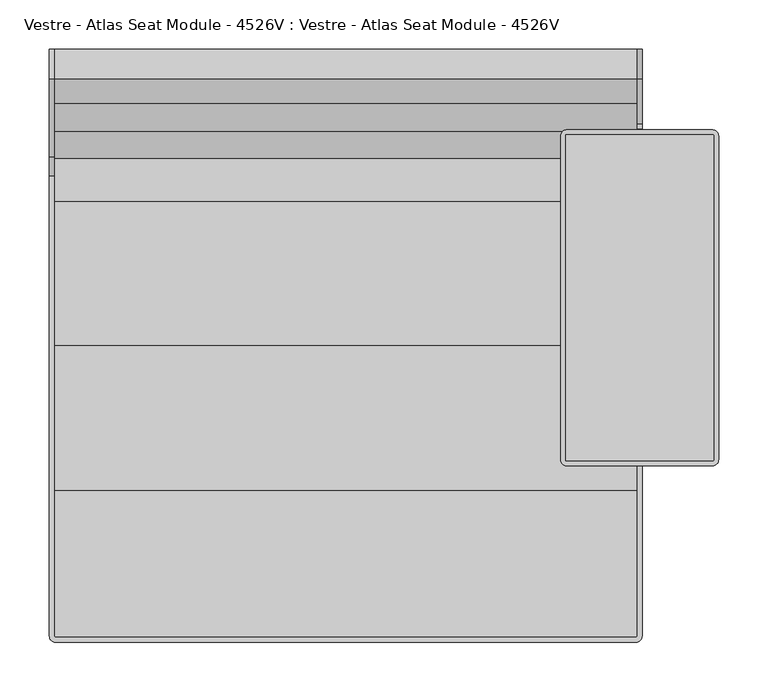
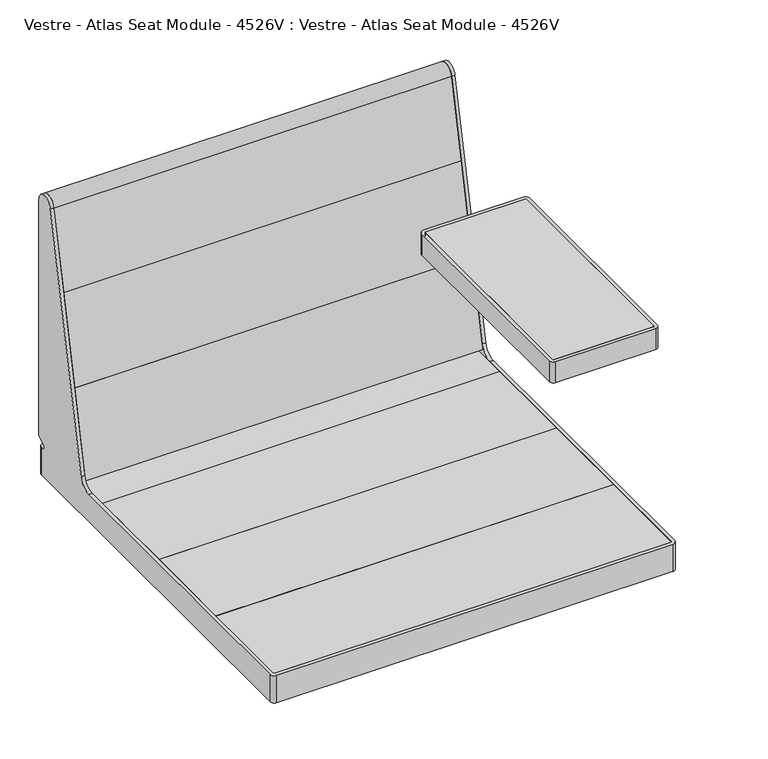
"""IFC4 building model written with IfcOpenShell, lengths in millimetres: furniture geometry, Vestre - Atlas Seat Module - 4526V : Vestre - Atlas Seat Module - 4526V."""

from ifc_helpers import new_model, si_unit, point, frame, frame_2d, origin, origin_with_axes, place, context, project, spatial, polyline, circle_curve, trimmed, segment, composite_curve, outline, extrude, source, transform, mapped, element, save
from ifc_brep_helpers import plane_surface, cylinder_surface, revolved_surface, advanced_brep


def vestre_atlas_seat_module_4526v_vestre_atlas_seat_module_254767dd(model_context):
    return source(origin(), model_context, "Body", "SolidModel", [
        advanced_brep(
        [(295.0000168, 300.0000023, 83.4372244), (295.0000168, 299.001022, 81.7069398), (295.0000168, 287.8917461, 75.2929964), (295.0000168, 289.8860908, 67.850001), (295.0000168, 294.0000778, 67.850001), (295.0000168, 294.0104801, 24.8500093), (295.0000168, -294.0016577, 24.8500093), (295.0000168, -294.0016577, 67.850001), (295.0000168, 171.6350131, 67.850001), (295.0000168, 191.1979651, 83.6917671), (295.0000168, 209.3523653, 169.1015048), (295.0000168, 205.5011855, 175.0318013), (295.0000168, -90.0348387, 237.8499078), (295.0000168, -90.0348387, 241.8498816), (295.0000168, -36.8693306, 241.8498816), (295.0000168, -35.9057299, 240.8862809), (295.0000168, -35.9057299, 239.5819968), (295.0000168, -36.4058447, 238.7159523), (295.0000168, -35.0398179, 237.3499255), (295.0000168, -34.1737135, 237.8499078), (295.0000168, 204.1172295, 237.8499078), (295.0000168, 205.4262365, 237.3474222), (295.0000168, 208.4547894, 234.620465), (295.0000168, 213.3966402, 236.2261697), (295.0000168, 215.3613459, 237.8499078), (295.0000168, 219.9163693, 237.8499078), (295.0000168, 224.8071073, 241.8103493), (295.0000168, 270.3277883, 455.9683158), (295.0000168, 300.0000023, 452.8496404), (299.9997116, 300.0000023, 83.4372244), (299.9997116, 300.0000023, 452.8496404), (299.9997116, 270.3277883, 455.9683158), (299.9997116, 224.8071073, 241.8103493), (299.9997116, 219.9163693, 237.8499078), (299.9997116, 215.3613459, 237.8499078), (299.9997116, 213.3966402, 236.2261697), (299.9997116, 208.4547894, 234.620465), (299.9997116, 205.4262365, 237.3474222), (299.9997116, 204.1172295, 237.8499078), (299.9997116, -34.1737135, 237.8499078), (299.9997116, -35.039763, 237.3498938), (299.9997116, -36.4058447, 238.7159523), (299.9997116, -35.9057299, 239.5819968), (299.9997116, -35.9057299, 240.8862809), (299.9997116, -36.8693306, 241.8498816), (299.9997116, -90.0348387, 241.8498816), (299.9997116, -90.0348387, 237.8499078), (299.9997116, 205.5011855, 175.0318013), (299.9997116, 209.3523653, 169.1015048), (299.9997116, 191.1979651, 83.6917671), (299.9997116, 171.6350131, 67.850001), (299.9997116, -294.000075, 67.850001), (299.9997116, -294.000075, 24.8500093), (299.9997116, 294.000075, 24.8500093), (299.9997116, 294.000075, 67.850001), (299.9997116, 289.8860908, 67.850001), (299.9997116, 287.8917461, 75.2929964), (299.9997116, 299.001022, 81.7069398), (293.9997116, 300.000075, 67.850001), (-293.9997116, 300.000075, 67.850001), (-299.9997116, 294.000075, 67.850001), (-299.9997116, 289.8860908, 67.850001), (-295.0000168, 289.8860908, 67.850001), (-295.0000168, 294.0091733, 67.850001), (-294.009246, 294.9999441, 67.850001), (294.0105528, 294.9999441, 67.850001), (294.0015851, -295.0000895, 67.850001), (-294.0358013, -295.0000895, 67.850001), (-295.0000168, -294.035874, 67.850001), (-295.0000168, 171.6350131, 67.850001), (-299.9997116, 171.6350131, 67.850001), (-299.9997116, -294.0369399, 67.850001), (-294.0365765, -300.000075, 67.850001), (293.9997116, -300.000075, 67.850001), (-299.9997116, -294.0369399, 24.8500093), (-299.9997116, 294.000075, 24.8500093), (-293.9997116, 300.000075, 24.8500093), (293.9997116, 300.000075, 24.8500093), (293.9997116, -300.000075, 24.8500093), (-294.0365765, -300.000075, 24.8500093), (-295.0000168, -294.035874, 24.8500093), (-294.0358013, -295.0000895, 24.8500093), (294.0015851, -295.0000895, 24.8500093), (294.0105528, 294.9999441, 24.8500093), (-294.009246, 294.9999441, 24.8500093), (-295.0000168, 294.0091733, 24.8500093), (-295.0000168, 287.8917461, 75.2929964), (-295.0000168, 299.001022, 81.7069398), (-295.0000168, 300.0000023, 83.4372244), (-295.0000168, 300.0000023, 452.8496404), (-295.0000168, 270.3277883, 455.9683158), (-295.0000168, 191.1979651, 83.6917671), (-299.9997116, 191.1979651, 83.6917671), (-299.9997116, 270.3277883, 455.9683158), (-299.9997116, 300.0000023, 452.8496404), (-299.9997116, 300.0000023, 83.4372244), (-299.9997116, 299.001022, 81.7069398), (-299.9997116, 287.8917461, 75.2929964)],
        [
            (0, 1, circle_curve(frame((295.0000168, 298.0020417, 83.4372244), z_axis=(-1.0, 0.0, 0.0), x_axis=(0.0, -1.0, 0.0)), 1.9979606)),
            (1, 2),
            (2, 3, circle_curve(frame((295.0000168, 289.8860908, 71.8386902), z_axis=(1.0, 0.0, 0.0), x_axis=(0.0, -1.0, 0.0)), 3.9886892)),
            (3, 4),
            (4, 5),
            (5, 6),
            (6, 7),
            (7, 8),
            (8, 9, circle_curve(frame((295.0000168, 171.6350131, 87.850001), z_axis=(1.0, 0.0, 0.0), x_axis=(0.0, -1.0, 0.0)), 20.0)),
            (9, 10),
            (10, 11, circle_curve(frame((295.0000168, 204.4616273, 170.1410632), z_axis=(1.0, 0.0, 0.0), x_axis=(0.0, -1.0, 0.0)), 5.0)),
            (11, 12),
            (12, 13),
            (13, 14),
            (14, 15, circle_curve(frame((295.0000168, -36.8693306, 240.8862809), z_axis=(-1.0, 0.0, 0.0), x_axis=(0.0, -1.0, 0.0)), 0.9636008)),
            (15, 16),
            (16, 17, circle_curve(frame((295.0000168, -36.9056482, 239.5819968), z_axis=(-1.0, 0.0, 0.0), x_axis=(0.0, -1.0, 0.0)), 0.9999183)),
            (17, 18, circle_curve(frame((295.0000168, -35.9096626, 237.8461076), z_axis=(1.0, 0.0, 0.0), x_axis=(0.0, -1.0, 0.0)), 1.0014122)),
            (18, 19, circle_curve(frame((295.0000168, -34.1737135, 236.8498799), z_axis=(-1.0, 0.0, 0.0), x_axis=(0.0, -1.0, 0.0)), 1.0000279)),
            (19, 20),
            (20, 21, circle_curve(frame((295.0000168, 204.1172295, 235.8936417), z_axis=(-1.0, 0.0, 0.0), x_axis=(0.0, -1.0, 0.0)), 1.9562661)),
            (21, 22),
            (22, 23, circle_curve(frame((295.0000168, 210.4385486, 236.9226609), z_axis=(1.0, 0.0, 0.0), x_axis=(0.0, -1.0, 0.0)), 3.0389811)),
            (23, 24, circle_curve(frame((295.0000168, 215.3613459, 235.8494024), z_axis=(-1.0, 0.0, 0.0), x_axis=(0.0, -1.0, 0.0)), 2.0005054)),
            (24, 25),
            (25, 26, circle_curve(frame((295.0000168, 219.9163693, 242.8499078), z_axis=(1.0, 0.0, 0.0), x_axis=(0.0, -1.0, 0.0)), 5.0)),
            (26, 27),
            (27, 28, circle_curve(frame((295.0000168, 285.0000023, 452.8496404), z_axis=(-1.0, 0.0, 0.0), x_axis=(0.0, -1.0, 0.0)), 15.0)),
            (28, 0),
            (29, 30),
            (30, 31, circle_curve(frame((299.9997116, 285.0000023, 452.8496404), z_axis=(1.0, 0.0, 0.0), x_axis=(0.0, -1.0, 0.0)), 15.0)),
            (31, 32),
            (32, 33, circle_curve(frame((299.9997116, 219.9163693, 242.8499078), z_axis=(-1.0, 0.0, 0.0), x_axis=(0.0, -1.0, 0.0)), 5.0)),
            (33, 34),
            (34, 35, circle_curve(frame((299.9997116, 215.3613459, 235.8494024), z_axis=(1.0, 0.0, 0.0), x_axis=(0.0, -1.0, 0.0)), 2.0005054)),
            (35, 36, circle_curve(frame((299.9997116, 210.4385486, 236.9226609), z_axis=(-1.0, 0.0, 0.0), x_axis=(0.0, -1.0, 0.0)), 3.0389811)),
            (36, 37),
            (37, 38, circle_curve(frame((299.9997116, 204.1172295, 235.8936417), z_axis=(1.0, 0.0, 0.0), x_axis=(0.0, -1.0, 0.0)), 1.9562661)),
            (38, 39),
            (39, 40, circle_curve(frame((299.9997116, -34.1737135, 236.8498799), z_axis=(1.0, 0.0, 0.0), x_axis=(0.0, -1.0, 0.0)), 1.0000279)),
            (40, 41, circle_curve(frame((299.9997116, -35.9096626, 237.8461076), z_axis=(-1.0, 0.0, 0.0), x_axis=(0.0, -1.0, 0.0)), 1.0014122)),
            (41, 42, circle_curve(frame((299.9997116, -36.9056482, 239.5819968), z_axis=(1.0, 0.0, 0.0), x_axis=(0.0, -1.0, 0.0)), 0.9999183)),
            (42, 43),
            (43, 44, circle_curve(frame((299.9997116, -36.8693306, 240.8862809), z_axis=(1.0, 0.0, 0.0), x_axis=(0.0, -1.0, 0.0)), 0.9636008)),
            (44, 45),
            (45, 46),
            (46, 47),
            (47, 48, circle_curve(frame((299.9997116, 204.4616273, 170.1410632), z_axis=(-1.0, 0.0, 0.0), x_axis=(0.0, -1.0, 0.0)), 5.0)),
            (48, 49),
            (49, 50, circle_curve(frame((299.9997116, 171.6350131, 87.850001), z_axis=(-1.0, 0.0, 0.0), x_axis=(0.0, -1.0, 0.0)), 20.0)),
            (50, 51),
            (51, 52),
            (52, 53),
            (53, 54),
            (54, 55),
            (55, 56, circle_curve(frame((299.9997116, 289.8860908, 71.8386902), z_axis=(-1.0, 0.0, 0.0), x_axis=(0.0, -1.0, 0.0)), 3.9886892)),
            (56, 57),
            (57, 29, circle_curve(frame((299.9997116, 298.0020417, 83.4372244), z_axis=(1.0, 0.0, 0.0), x_axis=(0.0, -1.0, 0.0)), 1.9979606)),
            (28, 30),
            (29, 0),
            (27, 31),
            (26, 32),
            (8, 50),
            (49, 9),
            (3, 55),
            (54, 58, circle_curve(frame((293.9997116, 294.000075, 67.850001), z_axis=(0.0, 0.0, 1.0), x_axis=(1.0, 0.0, 0.0)), 6.0)),
            (58, 59),
            (59, 60, circle_curve(frame((-293.9997116, 294.000075, 67.850001), z_axis=(0.0, 0.0, 1.0), x_axis=(1.0, 0.0, 0.0)), 6.0)),
            (60, 61),
            (61, 62),
            (62, 63),
            (63, 64, circle_curve(frame((-294.009246, 294.0091733, 67.850001), z_axis=(0.0, 0.0, -1.0), x_axis=(1.0, 0.0, 0.0)), 0.9907708)),
            (64, 65),
            (65, 4, circle_curve(frame((294.0105528, 294.0104801, 67.850001), z_axis=(0.0, 0.0, -1.0), x_axis=(1.0, 0.0, 0.0)), 0.989464)),
            (7, 66, circle_curve(frame((294.0015851, -294.0016577, 67.850001), z_axis=(0.0, 0.0, -1.0), x_axis=(1.0, 0.0, 0.0)), 0.9984317)),
            (66, 67),
            (67, 68, circle_curve(frame((-294.0358013, -294.035874, 67.850001), z_axis=(0.0, 0.0, -1.0), x_axis=(1.0, 0.0, 0.0)), 0.9642155)),
            (68, 69),
            (69, 70),
            (70, 71),
            (71, 72, circle_curve(frame((-294.0365765, -294.0369399, 67.850001), z_axis=(0.0, 0.0, 1.0), x_axis=(1.0, 0.0, 0.0)), 5.9631351)),
            (72, 73),
            (73, 51, circle_curve(frame((293.9997116, -294.000075, 67.850001), z_axis=(0.0, 0.0, 1.0), x_axis=(1.0, 0.0, 0.0)), 6.0)),
            (2, 56),
            (1, 57),
            (25, 33),
            (24, 34),
            (23, 35),
            (22, 36),
            (21, 37),
            (20, 38),
            (19, 39),
            (18, 40),
            (17, 41),
            (16, 42),
            (15, 43),
            (14, 44),
            (13, 45),
            (12, 46),
            (11, 47),
            (10, 48),
            (74, 75),
            (75, 76, circle_curve(frame((-293.9997116, 294.000075, 24.8500093), z_axis=(0.0, 0.0, -1.0), x_axis=(1.0, 0.0, 0.0)), 6.0)),
            (76, 77),
            (77, 53, circle_curve(frame((293.9997116, 294.000075, 24.8500093), z_axis=(0.0, 0.0, -1.0), x_axis=(1.0, 0.0, 0.0)), 6.0)),
            (52, 78, circle_curve(frame((293.9997116, -294.000075, 24.8500093), z_axis=(0.0, 0.0, -1.0), x_axis=(1.0, 0.0, 0.0)), 6.0)),
            (78, 79),
            (79, 74, circle_curve(frame((-294.0365765, -294.0369399, 24.8500093), z_axis=(0.0, 0.0, -1.0), x_axis=(1.0, 0.0, 0.0)), 5.9631351)),
            (80, 81, circle_curve(frame((-294.0358013, -294.035874, 24.8500093), z_axis=(0.0, 0.0, 1.0), x_axis=(1.0, 0.0, 0.0)), 0.9642155)),
            (81, 82),
            (82, 6, circle_curve(frame((294.0015851, -294.0016577, 24.8500093), z_axis=(0.0, 0.0, 1.0), x_axis=(1.0, 0.0, 0.0)), 0.9984317)),
            (5, 83, circle_curve(frame((294.0105528, 294.0104801, 24.8500093), z_axis=(0.0, 0.0, 1.0), x_axis=(1.0, 0.0, 0.0)), 0.989464)),
            (83, 84),
            (84, 85, circle_curve(frame((-294.009246, 294.0091733, 24.8500093), z_axis=(0.0, 0.0, 1.0), x_axis=(1.0, 0.0, 0.0)), 0.9907708)),
            (85, 80),
            (85, 63),
            (62, 86, circle_curve(frame((-295.0000168, 289.8860908, 71.8386902), z_axis=(-1.0, 0.0, 0.0), x_axis=(0.0, -1.0, 0.0)), 3.9886892)),
            (86, 87),
            (87, 88, circle_curve(frame((-295.0000168, 298.0020417, 83.4372244), z_axis=(1.0, 0.0, 0.0), x_axis=(0.0, -1.0, 0.0)), 1.9979606)),
            (88, 89),
            (89, 90, circle_curve(frame((-295.0000168, 285.0000023, 452.8496404), z_axis=(1.0, 0.0, 0.0), x_axis=(0.0, -1.0, 0.0)), 15.0)),
            (90, 91),
            (91, 69, circle_curve(frame((-295.0000168, 171.6350131, 87.850001), z_axis=(-1.0, 0.0, 0.0), x_axis=(0.0, -1.0, 0.0)), 20.0)),
            (68, 80),
            (84, 64),
            (83, 65),
            (82, 66),
            (81, 67),
            (71, 74),
            (79, 72),
            (78, 73),
            (77, 58),
            (76, 59),
            (75, 60),
            (70, 92, circle_curve(frame((-299.9997116, 171.6350131, 87.850001), z_axis=(1.0, 0.0, 0.0), x_axis=(0.0, -1.0, 0.0)), 20.0)),
            (92, 93),
            (93, 94, circle_curve(frame((-299.9997116, 285.0000023, 452.8496404), z_axis=(-1.0, 0.0, 0.0), x_axis=(0.0, -1.0, 0.0)), 15.0)),
            (94, 95),
            (95, 96, circle_curve(frame((-299.9997116, 298.0020417, 83.4372244), z_axis=(-1.0, 0.0, 0.0), x_axis=(0.0, -1.0, 0.0)), 1.9979606)),
            (96, 97),
            (97, 61, circle_curve(frame((-299.9997116, 289.8860908, 71.8386902), z_axis=(1.0, 0.0, 0.0), x_axis=(0.0, -1.0, 0.0)), 3.9886892)),
            (88, 95),
            (94, 89),
            (93, 90),
            (92, 91),
            (97, 86),
            (96, 87),
        ],
        [
            plane_surface(frame((295.0000168, 296.0040811, 83.4372244), z_axis=(-1.0, 0.0, 0.0), x_axis=(0.0, 0.0, 1.0))),
            plane_surface(frame((299.9997116, 296.0040811, 83.4372244), z_axis=(1.0, 0.0, 0.0), x_axis=(0.0, 0.0, -1.0))),
            plane_surface(frame((295.0000168, 300.0000023, 452.8496404), z_axis=(0.0, 1.0, 0.0), x_axis=(1.0, 0.0, 0.0))),
            cylinder_surface(frame((299.9997116, 285.0000023, 452.8496404), z_axis=(-1.0, 0.0, 0.0), x_axis=(0.0, -1.0, 0.0)), 15.0),
            plane_surface(frame((295.0000168, 224.8071073, 241.8103493), z_axis=(0.0, -0.9781476007338052, 0.20791169081776106), x_axis=(1.0, 0.0, 0.0))),
            revolved_surface(polyline([(299.9997116, 151.6350131, 87.850001), (295.0000168, 151.6350131, 87.850001)]), (299.9997116, 171.6350131, 87.850001), (1.0, 0.0, 0.0)),
            plane_surface(frame((295.0000168, 148.9999895, 67.850001), z_axis=(0.0, 0.0, 1.0), x_axis=(1.0, 0.0, 0.0))),
            revolved_surface(polyline([(299.9997116, 285.89740159999997, 71.8386902), (295.0000168, 285.89740159999997, 71.8386902)]), (299.9997116, 289.8860908, 71.8386902), (1.0, 0.0, 0.0)),
            plane_surface(frame((295.0000168, 299.001022, 81.7069398), z_axis=(0.0, 0.49999999999999944, -0.866025403784439), x_axis=(1.0, 0.0, 0.0))),
            cylinder_surface(frame((299.9997116, 298.0020417, 83.4372244), z_axis=(-1.0, 0.0, 0.0), x_axis=(0.0, -1.0, 0.0)), 1.9979606),
            revolved_surface(polyline([(299.9997116, 214.9163693, 242.8499078), (295.0000168, 214.9163693, 242.8499078)]), (299.9997116, 219.9163693, 242.8499078), (1.0, 0.0, 0.0)),
            plane_surface(frame((295.0000168, 215.3613459, 237.8499078), z_axis=(0.0, 0.0, 1.0), x_axis=(1.0, 0.0, 0.0))),
            cylinder_surface(frame((299.9997116, 215.3613459, 235.8494024), z_axis=(-1.0, 0.0, 0.0), x_axis=(0.0, -1.0, 0.0)), 2.0005054),
            revolved_surface(polyline([(299.9997116, 207.3995675, 236.9226609), (295.0000168, 207.3995675, 236.9226609)]), (299.9997116, 210.4385486, 236.9226609), (1.0, 0.0, 0.0)),
            plane_surface(frame((295.0000168, 205.4262365, 237.3474222), z_axis=(0.0, 0.6691354565947192, 0.7431404582767492), x_axis=(1.0, 0.0, 0.0))),
            cylinder_surface(frame((299.9997116, 204.1172295, 235.8936417), z_axis=(-1.0, 0.0, 0.0), x_axis=(0.0, -1.0, 0.0)), 1.9562661),
            plane_surface(frame((295.0000168, -34.1737135, 237.8499078), z_axis=(0.0, 0.0, 1.0), x_axis=(1.0, 0.0, 0.0))),
            cylinder_surface(frame((299.9997116, -34.1737135, 236.8498799), z_axis=(-1.0, 0.0, 0.0), x_axis=(0.0, -1.0, 0.0)), 1.0000279),
            revolved_surface(polyline([(299.9997116, -36.911074799999994, 237.8461076), (295.0000168, -36.911074799999994, 237.8461076)]), (299.9997116, -35.9096626, 237.8461076), (1.0, 0.0, 0.0)),
            cylinder_surface(frame((299.9997116, -36.9056482, 239.5819968), z_axis=(-1.0, 0.0, 0.0), x_axis=(0.0, -1.0, 0.0)), 0.9999183),
            plane_surface(frame((295.0000168, -35.9057299, 240.8862809), z_axis=(0.0, 1.0, 0.0), x_axis=(1.0, 0.0, 0.0))),
            cylinder_surface(frame((299.9997116, -36.8693306, 240.8862809), z_axis=(-1.0, 0.0, 0.0), x_axis=(0.0, -1.0, 0.0)), 0.9636008),
            plane_surface(frame((295.0000168, -90.0348387, 241.8498816), z_axis=(0.0, 0.0, 1.0), x_axis=(1.0, 0.0, 0.0))),
            plane_surface(frame((295.0000168, -90.0348387, 237.8499078), z_axis=(0.0, -1.0, 0.0), x_axis=(1.0, 0.0, 0.0))),
            plane_surface(frame((295.0000168, 205.5011855, 175.0318013), z_axis=(0.0, -0.2079116445070992, -0.9781476105774392), x_axis=(1.0, 0.0, 0.0))),
            revolved_surface(polyline([(299.9997116, 199.4616273, 170.1410632), (295.0000168, 199.4616273, 170.1410632)]), (299.9997116, 204.4616273, 170.1410632), (1.0, 0.0, 0.0)),
            plane_surface(frame((295.0000168, 191.1979651, 83.6917671), z_axis=(0.0, -0.9781476007338046, 0.20791169081776423), x_axis=(1.0, 0.0, 0.0))),
            plane_surface(frame((-295.0000168, 294.0000051, 24.8500093), z_axis=(0.0, 0.0, -1.0), x_axis=(0.0, -1.0, 0.0))),
            plane_surface(frame((-295.0000168, -294.035874, 67.850001), z_axis=(1.0, 0.0, 0.0), x_axis=(0.0, 0.0, -1.0))),
            revolved_surface(polyline([(-293.0184752, 294.0091733, 24.8500093), (-293.0184752, 294.0091733, 67.850001)]), (-294.009246, 294.0091733, 24.8500093), (0.0, 0.0, -1.0)),
            plane_surface(frame((-294.009246, 294.9999441, 67.850001), z_axis=(0.0, -1.0, 0.0), x_axis=(0.0, 0.0, -1.0))),
            revolved_surface(polyline([(295.0000168, 294.0104801, 24.8500093), (295.0000168, 294.0104801, 67.850001)]), (294.0105528, 294.0104801, 24.8500093), (0.0, 0.0, -1.0)),
            revolved_surface(polyline([(295.0000168, -294.0016577, 24.8500093), (295.0000168, -294.0016577, 67.850001)]), (294.0015851, -294.0016577, 24.8500093), (0.0, 0.0, -1.0)),
            plane_surface(frame((294.0015851, -295.0000895, 67.850001), z_axis=(0.0, 1.0, 0.0), x_axis=(0.0, 0.0, -1.0))),
            revolved_surface(polyline([(-293.0715858, -294.035874, 24.8500093), (-293.0715858, -294.035874, 67.850001)]), (-294.0358013, -294.035874, 24.8500093), (0.0, 0.0, -1.0)),
            cylinder_surface(frame((-294.0365765, -294.0369399, 24.8500093), z_axis=(0.0, 0.0, 1.0), x_axis=(1.0, 0.0, 0.0)), 5.9631351),
            plane_surface(frame((-294.0365765, -300.000075, 67.850001), z_axis=(0.0, -1.0, 0.0), x_axis=(0.0, 0.0, -1.0))),
            cylinder_surface(frame((293.9997116, -294.000075, 24.8500093), z_axis=(0.0, 0.0, 1.0), x_axis=(1.0, 0.0, 0.0)), 6.0),
            cylinder_surface(frame((293.9997116, 294.000075, 24.8500093), z_axis=(0.0, 0.0, 1.0), x_axis=(1.0, 0.0, 0.0)), 6.0),
            plane_surface(frame((293.9997116, 300.000075, 67.850001), z_axis=(0.0, 1.0, 0.0), x_axis=(0.0, 0.0, -1.0))),
            cylinder_surface(frame((-293.9997116, 294.000075, 24.8500093), z_axis=(0.0, 0.0, 1.0), x_axis=(1.0, 0.0, 0.0)), 6.0),
            plane_surface(frame((-299.9997116, 294.000075, 67.850001), z_axis=(-1.0, 0.0, 0.0), x_axis=(0.0, 0.0, -1.0))),
            plane_surface(frame((-295.0000168, 300.0000023, 83.4372244), z_axis=(0.0, 1.0, 0.0), x_axis=(-1.0, 0.0, 0.0))),
            cylinder_surface(frame((-299.9997116, 285.0000023, 452.8496404), z_axis=(1.0, 0.0, 0.0), x_axis=(0.0, -1.0, 0.0)), 15.0),
            plane_surface(frame((-295.0000168, 270.3277883, 455.9683158), z_axis=(0.0, -0.9781476007338054, 0.20791169081776092), x_axis=(-1.0, 0.0, 0.0))),
            revolved_surface(polyline([(-299.9997116, 151.6350131, 87.850001), (-295.0000168, 151.6350131, 87.850001)]), (-299.9997116, 171.6350131, 87.850001), (-1.0, 0.0, 0.0)),
            revolved_surface(polyline([(-299.9997116, 285.89740159999997, 71.8386902), (-295.0000168, 285.89740159999997, 71.8386902)]), (-299.9997116, 289.8860908, 71.8386902), (-1.0, 0.0, 0.0)),
            plane_surface(frame((-295.0000168, 287.8917461, 75.2929964), z_axis=(0.0, 0.49999999999999944, -0.866025403784439), x_axis=(-1.0, 0.0, 0.0))),
            cylinder_surface(frame((-299.9997116, 298.0020417, 83.4372244), z_axis=(1.0, 0.0, 0.0), x_axis=(0.0, -1.0, 0.0)), 1.9979606),
        ],
        [
            (0, [[1, 2, 3, 4, 5, 6, 7, 8, 9, 10, 11, 12, 13, 14, 15, 16, 17, 18, 19, 20, 21, 22, 23, 24, 25, 26, 27, 28, 29]]),
            (1, [[30, 31, 32, 33, 34, 35, 36, 37, 38, 39, 40, 41, 42, 43, 44, 45, 46, 47, 48, 49, 50, 51, 52, 53, 54, 55, 56, 57, 58]]),
            (2, [[-29, 59, -30, 60]]),
            (3, [[-28, 61, -31, -59]]),
            (4, [[-27, 62, -32, -61]]),
            (5, [[-9, 63, -50, 64]]),
            (6, [[-4, 65, -55, 66, 67, 68, 69, 70, 71, 72, 73, 74]]),
            (6, [[-63, -8, 75, 76, 77, 78, 79, 80, 81, 82, 83, -51]]),
            (7, [[-3, 84, -56, -65]]),
            (8, [[-2, 85, -57, -84]]),
            (9, [[-1, -60, -58, -85]]),
            (10, [[-26, 86, -33, -62]]),
            (11, [[-25, 87, -34, -86]]),
            (12, [[-24, 88, -35, -87]]),
            (13, [[-23, 89, -36, -88]]),
            (14, [[-22, 90, -37, -89]]),
            (15, [[-21, 91, -38, -90]]),
            (16, [[-20, 92, -39, -91]]),
            (17, [[-19, 93, -40, -92]]),
            (18, [[-18, 94, -41, -93]]),
            (19, [[-17, 95, -42, -94]]),
            (20, [[-16, 96, -43, -95]]),
            (21, [[-15, 97, -44, -96]]),
            (22, [[-14, 98, -45, -97]]),
            (23, [[-13, 99, -46, -98]]),
            (24, [[-12, 100, -47, -99]]),
            (25, [[-11, 101, -48, -100]]),
            (26, [[-10, -64, -49, -101]]),
            (27, [[102, 103, 104, 105, -53, 106, 107, 108], [109, 110, 111, -6, 112, 113, 114, 115]]),
            (28, [[-115, 116, -71, 117, 118, 119, 120, 121, 122, 123, -78, 124]]),
            (29, [[-72, -116, -114, 125]]),
            (30, [[-73, -125, -113, 126]]),
            (31, [[-74, -126, -112, -5]]),
            (32, [[-75, -7, -111, 127]]),
            (33, [[-76, -127, -110, 128]]),
            (34, [[-77, -128, -109, -124]]),
            (35, [[-81, 129, -108, 130]]),
            (36, [[-82, -130, -107, 131]]),
            (37, [[-83, -131, -106, -52]]),
            (38, [[-66, -54, -105, 132]]),
            (39, [[-67, -132, -104, 133]]),
            (40, [[134, -68, -133, -103]]),
            (41, [[-102, -129, -80, 135, 136, 137, 138, 139, 140, 141, -69, -134]]),
            (42, [[-120, 142, -138, 143]]),
            (43, [[-121, -143, -137, 144]]),
            (44, [[-122, -144, -136, 145]]),
            (45, [[-123, -145, -135, -79]]),
            (46, [[-117, -70, -141, 146]]),
            (47, [[-118, -146, -140, 147]]),
            (48, [[-119, -147, -139, -142]]),
        ],
    ),
        extrude(outline(composite_curve([segment(polyline([(245.3272667, 338.3501092), (270.3277883, 455.9683158)]), True, "CONTINUOUS"), segment(trimmed(circle_curve(frame_2d((285.0000023, 452.8496404)), 15.0), [point((270.3277883, 455.9683158))], [point((300.0000023, 452.8496404))], False, "CARTESIAN"), True, "CONTINUOUS"), segment(polyline([(300.0000023, 452.8496404), (300.0000023, 338.3501092), (245.3272667, 338.3501092)]), True, "CONTINUOUS")], self_intersect=False)), frame((-295.0000168, 0.0, 0.0), z_axis=(1.0, 0.0, 0.0), x_axis=(0.0, 1.0, 0.0)), (0.0, 0.0, 1.0), 590.0000336),
        extrude(outline(polyline([(217.1635184, 205.8500911), (245.3272667, 338.3501092), (300.0000023, 338.3501092), (300.0000023, 205.8500911), (217.1635184, 205.8500911)])), frame((-295.0000168, 0.0, 0.0), z_axis=(1.0, 0.0, 0.0), x_axis=(0.0, 1.0, 0.0)), (0.0, 0.0, 1.0), 590.0000336),
        extrude(outline(polyline([(295.0000168, -146.0000273), (-295.0000168, -146.0000273), (-295.0000168, 0.0), (295.0000168, 0.0), (295.0000168, -146.0000273)])), frame((0.0, 0.0, 39.8500022), z_axis=(0.0, 0.0, 1.0), x_axis=(1.0, 0.0, 0.0)), (0.0, 0.0, 1.0), 27.9999988),
        extrude(outline(polyline([(295.0000168, 146.0000273), (295.0000168, 0.0), (-295.0000168, 0.0), (-295.0000168, 146.0000273), (295.0000168, 146.0000273)])), frame((0.0, 0.0, 39.8500022), z_axis=(0.0, 0.0, 1.0), x_axis=(1.0, 0.0, 0.0)), (0.0, 0.0, 1.0), 27.9999988),
        extrude(outline(composite_curve([segment(polyline([(-294.009246, 294.9999441), (294.0105528, 294.9999441)]), True, "CONTINUOUS"), segment(trimmed(circle_curve(frame_2d((294.0105528, 294.0104801)), 0.989464), [point((294.0105528, 294.9999441))], [point((295.0000168, 294.0104801))], False, "CARTESIAN"), True, "CONTINUOUS"), segment(polyline([(295.0000168, 294.0104801), (295.0000168, 146.0000273), (-295.0000168, 146.0000273), (-295.0000168, 294.0091733)]), True, "CONTINUOUS"), segment(trimmed(circle_curve(frame_2d((-294.009246, 294.0091733)), 0.9907708), [point((-295.0000168, 294.0091733))], [point((-294.009246, 294.9999441))], False, "CARTESIAN"), True, "CONTINUOUS")], self_intersect=False)), frame((0.0, 0.0, 39.8500022), z_axis=(0.0, 0.0, 1.0), x_axis=(1.0, 0.0, 0.0)), (0.0, 0.0, 1.0), 27.9999988),
        extrude(outline(composite_curve([segment(trimmed(circle_curve(frame_2d((-294.0358013, -294.035874)), 0.9642155), [point((-294.0358013, -295.0000895))], [point((-295.0000168, -294.035874))], False, "CARTESIAN"), True, "CONTINUOUS"), segment(polyline([(-295.0000168, -294.035874), (-295.0000168, -146.0000273), (295.0000168, -146.0000273), (295.0000168, -294.0016577)]), True, "CONTINUOUS"), segment(trimmed(circle_curve(frame_2d((294.0015851, -294.0016577)), 0.9984317), [point((295.0000168, -294.0016577))], [point((294.0015851, -295.0000895))], False, "CARTESIAN"), True, "CONTINUOUS"), segment(polyline([(294.0015851, -295.0000895), (-294.0358013, -295.0000895)]), True, "CONTINUOUS")], self_intersect=False)), frame((0.0, 0.0, 39.8500022), z_axis=(0.0, 0.0, 1.0), x_axis=(1.0, 0.0, 0.0)), (0.0, 0.0, 1.0), 27.9999988),
        extrude(outline(polyline([(34.9996078, 34.9999712), (34.9996078, -34.9999712), (-34.9996078, -34.9999712), (-34.9996078, 34.9999712), (34.9996078, 34.9999712)])), origin_with_axes(), (0.0, 0.0, 1.0), 39.8500022),
        extrude(outline(polyline([(217.1636487, 205.8500911), (299.9998569, 205.8500911), (299.9998569, 76.3499908), (189.6375526, 76.3499908), (217.1636487, 205.8500911)])), frame((-295.0000168, 0.0, 0.0), z_axis=(1.0, 0.0, 0.0), x_axis=(0.0, 1.0, 0.0)), (0.0, 0.0, 1.0), 590.0000336),
        extrude(outline(composite_curve([segment(trimmed(circle_curve(frame_2d((223.5419292, 212.5578326)), 1.0418475), [point((222.5000816, 212.5578326))], [point((223.5419292, 213.5996801))], False, "CARTESIAN"), True, "CONTINUOUS"), segment(polyline([(223.5419292, 213.5996801), (371.5408204, 213.5996801)]), True, "CONTINUOUS"), segment(trimmed(circle_curve(frame_2d((371.5408204, 212.6402724)), 0.9594077), [point((371.5408204, 213.5996801))], [point((372.5002281, 212.6402724))], False, "CARTESIAN"), True, "CONTINUOUS"), segment(polyline([(372.5002281, 212.6402724), (372.5002281, -115.3692421)]), True, "CONTINUOUS"), segment(trimmed(circle_curve(frame_2d((371.469235, -115.3692421)), 1.0309931), [point((372.5002281, -115.3692421))], [point((371.469235, -116.4002352))], False, "CARTESIAN"), True, "CONTINUOUS"), segment(polyline([(371.469235, -116.4002352), (223.4711599, -116.4002352)]), True, "CONTINUOUS"), segment(trimmed(circle_curve(frame_2d((223.4711599, -115.4291569)), 0.9710783), [point((223.4711599, -116.4002352))], [point((222.5000816, -115.4291569))], False, "CARTESIAN"), True, "CONTINUOUS"), segment(polyline([(222.5000816, -115.4291569), (222.5000816, 212.5578326)]), True, "CONTINUOUS")], self_intersect=False)), frame((0.0, 0.0, 242.849966), z_axis=(0.0, 0.0, 1.0), x_axis=(1.0, 0.0, 0.0)), (0.0, 0.0, 1.0), 27.9996717),
        extrude(outline(composite_curve([segment(trimmed(circle_curve(frame_2d((223.5003868, -115.4002207)), 6.0), [point((223.5003868, -121.4002207))], [point((217.5003868, -115.4002207))], False, "CARTESIAN"), True, "CONTINUOUS"), segment(polyline([(217.5003868, -115.4002207), (217.5003868, 212.5155868)]), True, "CONTINUOUS"), segment(trimmed(circle_curve(frame_2d((223.47517, 212.5155868)), 5.9747832), [point((217.5003868, 212.5155868))], [point((223.47517, 218.49037))], False, "CARTESIAN"), True, "CONTINUOUS"), segment(polyline([(223.47517, 218.49037), (371.4954709, 218.49037)]), True, "CONTINUOUS"), segment(trimmed(circle_curve(frame_2d((371.4954709, 212.485918)), 6.004452), [point((371.4954709, 218.49037))], [point((377.4999229, 212.485918))], False, "CARTESIAN"), True, "CONTINUOUS"), segment(polyline([(377.4999229, 212.485918), (377.4999229, -115.3784105)]), True, "CONTINUOUS"), segment(trimmed(circle_curve(frame_2d((371.4781127, -115.3784105)), 6.0218102), [point((377.4999229, -115.3784105))], [point((371.4781127, -121.4002207))], False, "CARTESIAN"), True, "CONTINUOUS"), segment(polyline([(371.4781127, -121.4002207), (223.5003868, -121.4002207)]), True, "CONTINUOUS")], self_intersect=False), holes=[composite_curve([segment(trimmed(circle_curve(frame_2d((371.5408204, 212.6402724)), 0.9594077), [point((372.5002281, 212.6402724))], [point((371.5408204, 213.5996801))], True, "CARTESIAN"), True, "CONTINUOUS"), segment(polyline([(371.5408204, 213.5996801), (223.5419292, 213.5996801)]), True, "CONTINUOUS"), segment(trimmed(circle_curve(frame_2d((223.5419292, 212.5578326)), 1.0418475), [point((223.5419292, 213.5996801))], [point((222.5000816, 212.5578326))], True, "CARTESIAN"), True, "CONTINUOUS"), segment(polyline([(222.5000816, 212.5578326), (222.5000816, -115.4291569)]), True, "CONTINUOUS"), segment(trimmed(circle_curve(frame_2d((223.4711599, -115.4291569)), 0.9710783), [point((222.5000816, -115.4291569))], [point((223.4711599, -116.4002352))], True, "CARTESIAN"), True, "CONTINUOUS"), segment(polyline([(223.4711599, -116.4002352), (371.469235, -116.4002352)]), True, "CONTINUOUS"), segment(trimmed(circle_curve(frame_2d((371.469235, -115.3692421)), 1.0309931), [point((371.469235, -116.4002352))], [point((372.5002281, -115.3692421))], True, "CARTESIAN"), True, "CONTINUOUS"), segment(polyline([(372.5002281, -115.3692421), (372.5002281, 212.6402724)]), True, "CONTINUOUS")], self_intersect=False)]), frame((0.0, 0.0, 237.8499078), z_axis=(0.0, 0.0, 1.0), x_axis=(1.0, 0.0, 0.0)), (0.0, 0.0, 1.0), 32.9997299),
    ])


if __name__ == "__main__":
    model = new_model("IFC4")
    model_context = context("Model", 3, world=origin())
    ifc_project = project(units=[si_unit("LENGTHUNIT", "METRE", prefix="MILLI")], contexts=[model_context])
    site = spatial("IfcSite", under=ifc_project)
    building = spatial("IfcBuilding", under=site)
    placement = place(None, origin())
    vestre_atlas_seat_module_4526v_vestre_atlas_seat_module_shape = vestre_atlas_seat_module_4526v_vestre_atlas_seat_module_254767dd(model_context)
    element("IfcFurniture", 1, ObjectType="Vestre - Atlas Seat Module - 4526V : Vestre - Atlas Seat Module - 4526V", at=placement, inside=building, context=model_context, shape_type="MappedRepresentation", body=[
        mapped(vestre_atlas_seat_module_4526v_vestre_atlas_seat_module_shape, transform((0.0, 0.0, 0.0), x_axis=(1.0, 0.0, 0.0), y_axis=(0.0, 1.0, 0.0), z_axis=(0.0, 0.0, 1.0))),
    ])
    save(model, "model.ifc")
